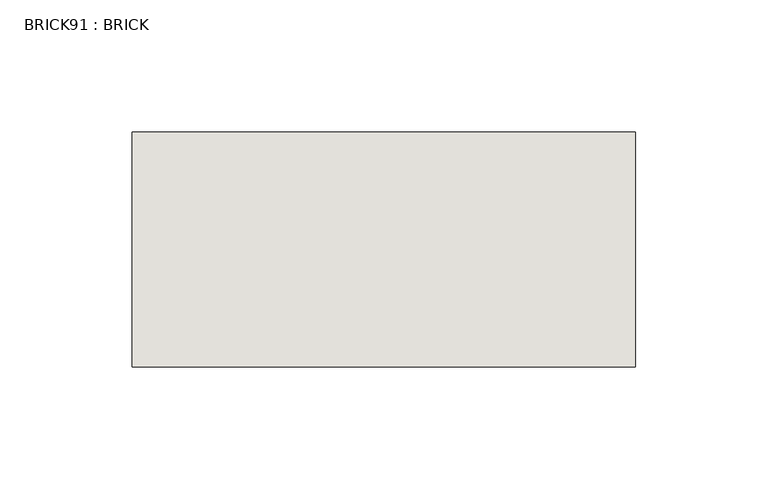
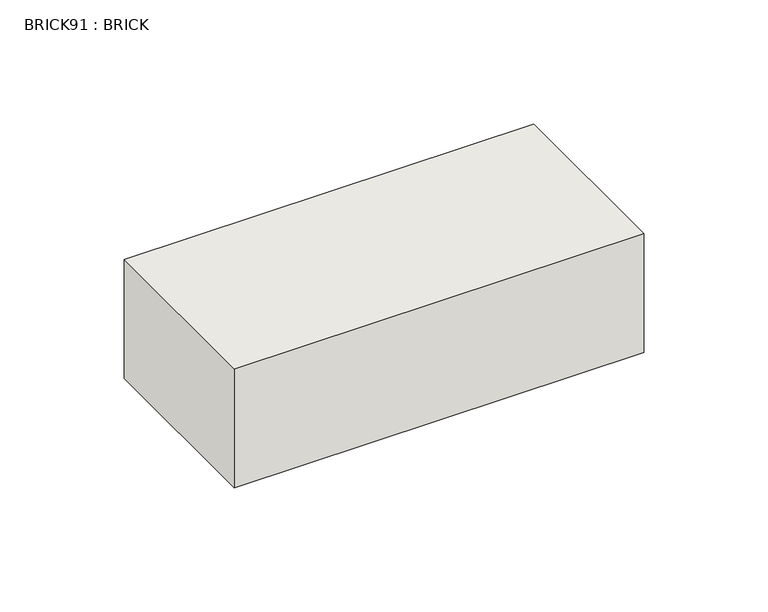
"""IFC4 building model written with IfcOpenShell, lengths in millimetres: wall geometry, BRICK91 : BRICK."""

from ifc_helpers import new_model, si_unit, frame, origin, place, context, project, spatial, polyline, outline, extrude, source, transform, mapped, element, save


def brick91_brick_3f1ef6ee(model_context):
    return source(origin(), model_context, "Body", "SweptSolid", [
        extrude(outline(polyline([(1341.7272594, 2586.2274125), (1532.2272594, 2586.2274125), (1532.2272594, 2497.3274125), (1341.7272594, 2497.3274125), (1341.7272594, 2586.2274125)])), frame((0.0, 0.0, 283.5671875), z_axis=(0.0, 0.0, 1.0), x_axis=(1.0, 0.0, 0.0)), (0.0, 0.0, 1.0), 58.4398437),
    ])


if __name__ == "__main__":
    model = new_model("IFC4")
    model_context = context("Model", 3, world=origin())
    ifc_project = project(units=[si_unit("LENGTHUNIT", "METRE", prefix="MILLI")], contexts=[model_context])
    site = spatial("IfcSite", under=ifc_project)
    building = spatial("IfcBuilding", under=site)
    placement = place(None, origin())
    brick91_brick_shape = brick91_brick_3f1ef6ee(model_context)
    element("IfcWall", 1, ObjectType="BRICK91 : BRICK", at=placement, inside=building, context=model_context, shape_type="MappedRepresentation", body=[
        mapped(brick91_brick_shape, transform((0.0, 0.0, 0.0), x_axis=(1.0, 0.0, 0.0), y_axis=(0.0, 1.0, 0.0), z_axis=(0.0, 0.0, 1.0))),
    ])
    save(model, "model.ifc")
